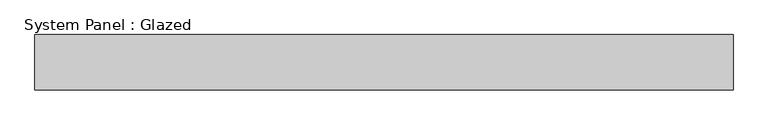
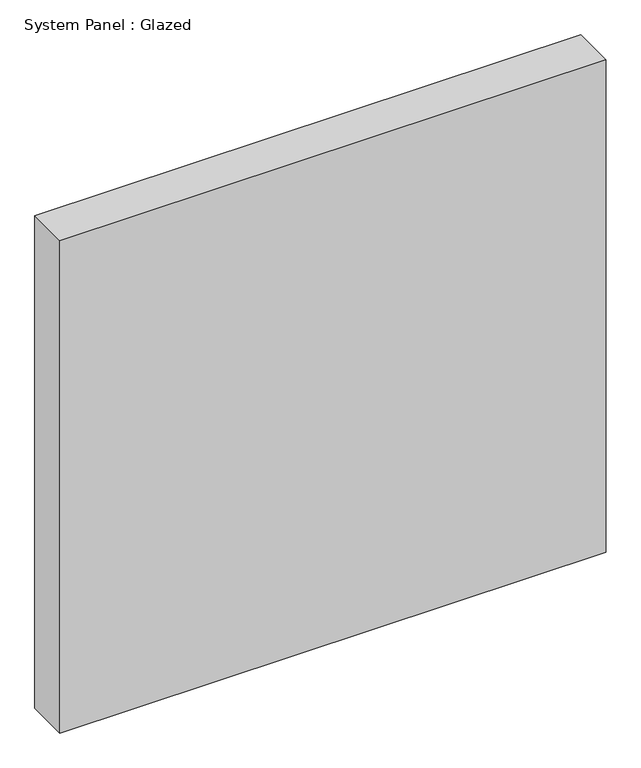
"""IFC4 building model written with IfcOpenShell, lengths in millimetres: plate geometry, System Panel : Glazed."""

from ifc_helpers import new_model, si_unit, origin, origin_with_axes, place, context, project, spatial, polyline, outline, extrude, source, transform, mapped, element, save


def system_panel_glazed_31eb9442(model_context):
    return source(origin(), model_context, "Body", "SweptSolid", [
        extrude(outline(polyline([(629.5, 50.0), (-629.5, 50.0), (-629.5, 150.0), (629.5, 150.0), (629.5, 50.0)])), origin_with_axes(), (0.0, 0.0, 1.0), 1200.0),
    ])


if __name__ == "__main__":
    model = new_model("IFC4")
    model_context = context("Model", 3, world=origin())
    ifc_project = project(units=[si_unit("LENGTHUNIT", "METRE", prefix="MILLI")], contexts=[model_context])
    site = spatial("IfcSite", under=ifc_project)
    building = spatial("IfcBuilding", under=site)
    placement = place(None, origin())
    system_panel_glazed_shape = system_panel_glazed_31eb9442(model_context)
    element("IfcPlate", 1, ObjectType="System Panel : Glazed", at=placement, inside=building, context=model_context, shape_type="MappedRepresentation", body=[
        mapped(system_panel_glazed_shape, transform((0.0, 0.0, 0.0), x_axis=(1.0, 0.0, 0.0), y_axis=(0.0, 1.0, 0.0), z_axis=(0.0, 0.0, 1.0))),
    ])
    save(model, "model.ifc")
